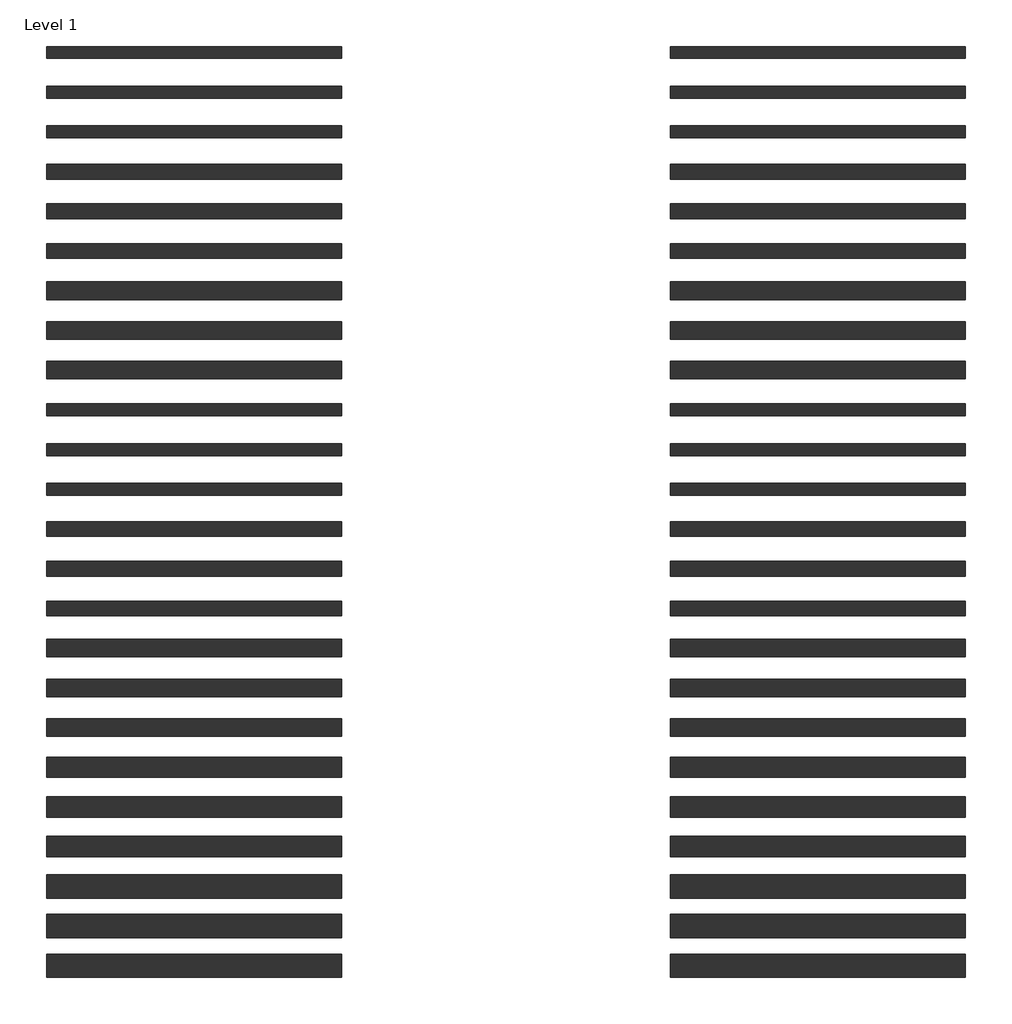
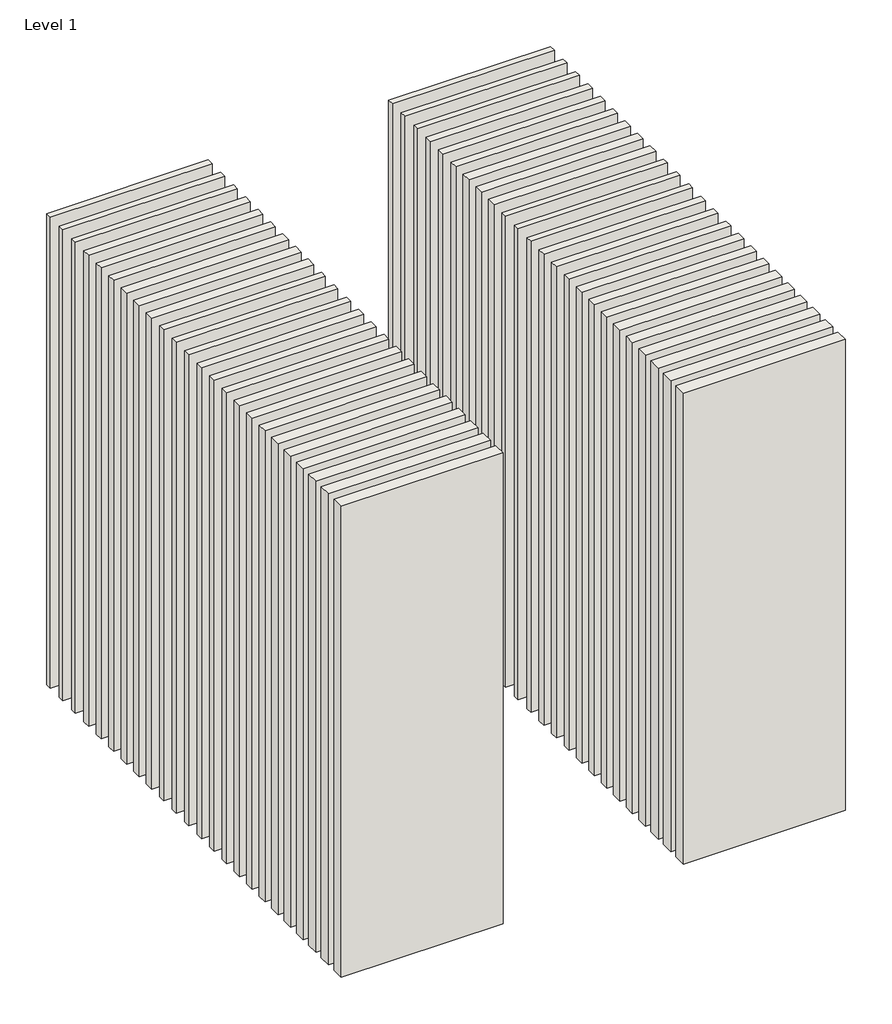
# One storey: 48 walls.
"""IFC4 building model written with IfcOpenShell, lengths in millimetres."""

from ifc_helpers import new_model, si_unit, origin, origin_with_axes, place, context, project, spatial, polyline, outline, extrude, element, save

model = new_model("IFC4")

# Units and contexts
model_context = context("Model", 3, world=origin())
ifc_project = project(units=[si_unit("LENGTHUNIT", "METRE", prefix="MILLI")], contexts=[model_context])

# Site, building, storey
site = spatial("IfcSite", under=ifc_project)
building = spatial("IfcBuilding", under=site)
storey = spatial("IfcBuildingStorey", under=building, Name="Level 1", Elevation=0.0)

# Walls
placement = place(None, origin())
element("IfcWall", 1, at=placement, inside=storey, context=model_context, shape_type="SweptSolid", body=[
    extrude(outline(polyline([(-16904.1464237, 3685.0198817), (-19504.1464237, 3685.0198817), (-19504.1464237, 3790.0198817), (-16904.1464237, 3790.0198817), (-16904.1464237, 3685.0198817)])), origin_with_axes(), (0.0, 0.0, 1.0), 8000.0),
])
element("IfcWall", 2, at=placement, inside=storey, context=model_context, shape_type="SweptSolid", body=[
    extrude(outline(polyline([(-16904.1464237, 3335.0198817), (-19504.1464237, 3335.0198817), (-19504.1464237, 3440.0198817), (-16904.1464237, 3440.0198817), (-16904.1464237, 3335.0198817)])), origin_with_axes(), (0.0, 0.0, 1.0), 8000.0),
])
element("IfcWall", 3, at=placement, inside=storey, context=model_context, shape_type="SweptSolid", body=[
    extrude(outline(polyline([(-16904.1464237, 2985.0198817), (-19504.1464237, 2985.0198817), (-19504.1464237, 3090.0198817), (-16904.1464237, 3090.0198817), (-16904.1464237, 2985.0198817)])), origin_with_axes(), (0.0, 0.0, 1.0), 8000.0),
])
element("IfcWall", 4, at=placement, inside=storey, context=model_context, shape_type="SweptSolid", body=[
    extrude(outline(polyline([(-16904.1464237, 2622.5198817), (-19504.1464237, 2622.5198817), (-19504.1464237, 2752.5198817), (-16904.1464237, 2752.5198817), (-16904.1464237, 2622.5198817)])), origin_with_axes(), (0.0, 0.0, 1.0), 8000.0),
])
element("IfcWall", 5, at=placement, inside=storey, context=model_context, shape_type="SweptSolid", body=[
    extrude(outline(polyline([(-16904.1464237, 2272.5198817), (-19504.1464237, 2272.5198817), (-19504.1464237, 2402.5198817), (-16904.1464237, 2402.5198817), (-16904.1464237, 2272.5198817)])), origin_with_axes(), (0.0, 0.0, 1.0), 8000.0),
])
element("IfcWall", 6, at=placement, inside=storey, context=model_context, shape_type="SweptSolid", body=[
    extrude(outline(polyline([(-16904.1464237, 1922.5198817), (-19504.1464237, 1922.5198817), (-19504.1464237, 2052.5198817), (-16904.1464237, 2052.5198817), (-16904.1464237, 1922.5198817)])), origin_with_axes(), (0.0, 0.0, 1.0), 8000.0),
])
element("IfcWall", 7, at=placement, inside=storey, context=model_context, shape_type="SweptSolid", body=[
    extrude(outline(polyline([(-16904.1464237, 1560.0198817), (-19504.1464237, 1560.0198817), (-19504.1464237, 1715.0198817), (-16904.1464237, 1715.0198817), (-16904.1464237, 1560.0198817)])), origin_with_axes(), (0.0, 0.0, 1.0), 8000.0),
])
element("IfcWall", 8, at=placement, inside=storey, context=model_context, shape_type="SweptSolid", body=[
    extrude(outline(polyline([(-16904.1464237, 1210.0198817), (-19504.1464237, 1210.0198817), (-19504.1464237, 1365.0198817), (-16904.1464237, 1365.0198817), (-16904.1464237, 1210.0198817)])), origin_with_axes(), (0.0, 0.0, 1.0), 8000.0),
])
element("IfcWall", 9, at=placement, inside=storey, context=model_context, shape_type="SweptSolid", body=[
    extrude(outline(polyline([(-16904.1464237, 860.0198817), (-19504.1464237, 860.0198817), (-19504.1464237, 1015.0198817), (-16904.1464237, 1015.0198817), (-16904.1464237, 860.0198817)])), origin_with_axes(), (0.0, 0.0, 1.0), 8000.0),
])
element("IfcWall", 10, at=placement, inside=storey, context=model_context, shape_type="SweptSolid", body=[
    extrude(outline(polyline([(-16904.1464237, 535.0198817), (-19504.1464237, 535.0198817), (-19504.1464237, 640.0198817), (-16904.1464237, 640.0198817), (-16904.1464237, 535.0198817)])), origin_with_axes(), (0.0, 0.0, 1.0), 8000.0),
])
element("IfcWall", 11, at=placement, inside=storey, context=model_context, shape_type="SweptSolid", body=[
    extrude(outline(polyline([(-16904.1464237, 185.0198817), (-19504.1464237, 185.0198817), (-19504.1464237, 290.0198817), (-16904.1464237, 290.0198817), (-16904.1464237, 185.0198817)])), origin_with_axes(), (0.0, 0.0, 1.0), 8000.0),
])
element("IfcWall", 12, at=placement, inside=storey, context=model_context, shape_type="SweptSolid", body=[
    extrude(outline(polyline([(-16904.1464237, -164.9801183), (-19504.1464237, -164.9801183), (-19504.1464237, -59.9801183), (-16904.1464237, -59.9801183), (-16904.1464237, -164.9801183)])), origin_with_axes(), (0.0, 0.0, 1.0), 8000.0),
])
element("IfcWall", 13, at=placement, inside=storey, context=model_context, shape_type="SweptSolid", body=[
    extrude(outline(polyline([(-16904.1464237, -527.4801183), (-19504.1464237, -527.4801183), (-19504.1464237, -397.4801183), (-16904.1464237, -397.4801183), (-16904.1464237, -527.4801183)])), origin_with_axes(), (0.0, 0.0, 1.0), 8000.0),
])
element("IfcWall", 14, at=placement, inside=storey, context=model_context, shape_type="SweptSolid", body=[
    extrude(outline(polyline([(-16904.1464237, -877.4801183), (-19504.1464237, -877.4801183), (-19504.1464237, -747.4801183), (-16904.1464237, -747.4801183), (-16904.1464237, -877.4801183)])), origin_with_axes(), (0.0, 0.0, 1.0), 8000.0),
])
element("IfcWall", 15, at=placement, inside=storey, context=model_context, shape_type="SweptSolid", body=[
    extrude(outline(polyline([(-16904.1464237, -1227.4801183), (-19504.1464237, -1227.4801183), (-19504.1464237, -1097.4801183), (-16904.1464237, -1097.4801183), (-16904.1464237, -1227.4801183)])), origin_with_axes(), (0.0, 0.0, 1.0), 8000.0),
])
element("IfcWall", 16, at=placement, inside=storey, context=model_context, shape_type="SweptSolid", body=[
    extrude(outline(polyline([(-16904.1464237, -1589.9801183), (-19504.1464237, -1589.9801183), (-19504.1464237, -1434.9801183), (-16904.1464237, -1434.9801183), (-16904.1464237, -1589.9801183)])), origin_with_axes(), (0.0, 0.0, 1.0), 8000.0),
])
element("IfcWall", 17, at=placement, inside=storey, context=model_context, shape_type="SweptSolid", body=[
    extrude(outline(polyline([(-16904.1464237, -1939.9801183), (-19504.1464237, -1939.9801183), (-19504.1464237, -1784.9801183), (-16904.1464237, -1784.9801183), (-16904.1464237, -1939.9801183)])), origin_with_axes(), (0.0, 0.0, 1.0), 8000.0),
])
element("IfcWall", 18, at=placement, inside=storey, context=model_context, shape_type="SweptSolid", body=[
    extrude(outline(polyline([(-16904.1464237, -2289.9801183), (-19504.1464237, -2289.9801183), (-19504.1464237, -2134.9801183), (-16904.1464237, -2134.9801183), (-16904.1464237, -2289.9801183)])), origin_with_axes(), (0.0, 0.0, 1.0), 8000.0),
])
element("IfcWall", 19, at=placement, inside=storey, context=model_context, shape_type="SweptSolid", body=[
    extrude(outline(polyline([(-16904.1464237, -2652.4801183), (-19504.1464237, -2652.4801183), (-19504.1464237, -2472.4801183), (-16904.1464237, -2472.4801183), (-16904.1464237, -2652.4801183)])), origin_with_axes(), (0.0, 0.0, 1.0), 8000.0),
])
element("IfcWall", 20, at=placement, inside=storey, context=model_context, shape_type="SweptSolid", body=[
    extrude(outline(polyline([(-16904.1464237, -3002.4801183), (-19504.1464237, -3002.4801183), (-19504.1464237, -2822.4801183), (-16904.1464237, -2822.4801183), (-16904.1464237, -3002.4801183)])), origin_with_axes(), (0.0, 0.0, 1.0), 8000.0),
])
element("IfcWall", 21, at=placement, inside=storey, context=model_context, shape_type="SweptSolid", body=[
    extrude(outline(polyline([(-16904.1464237, -3352.4801183), (-19504.1464237, -3352.4801183), (-19504.1464237, -3172.4801183), (-16904.1464237, -3172.4801183), (-16904.1464237, -3352.4801183)])), origin_with_axes(), (0.0, 0.0, 1.0), 8000.0),
])
element("IfcWall", 22, at=placement, inside=storey, context=model_context, shape_type="SweptSolid", body=[
    extrude(outline(polyline([(-16904.1464237, -3714.9801183), (-19504.1464237, -3714.9801183), (-19504.1464237, -3509.9801183), (-16904.1464237, -3509.9801183), (-16904.1464237, -3714.9801183)])), origin_with_axes(), (0.0, 0.0, 1.0), 8000.0),
])
element("IfcWall", 23, at=placement, inside=storey, context=model_context, shape_type="SweptSolid", body=[
    extrude(outline(polyline([(-16904.1464237, -4064.9801183), (-19504.1464237, -4064.9801183), (-19504.1464237, -3859.9801183), (-16904.1464237, -3859.9801183), (-16904.1464237, -4064.9801183)])), origin_with_axes(), (0.0, 0.0, 1.0), 8000.0),
])
element("IfcWall", 24, at=placement, inside=storey, context=model_context, shape_type="SweptSolid", body=[
    extrude(outline(polyline([(-16904.1464237, -4414.9801183), (-19504.1464237, -4414.9801183), (-19504.1464237, -4209.9801183), (-16904.1464237, -4209.9801183), (-16904.1464237, -4414.9801183)])), origin_with_axes(), (0.0, 0.0, 1.0), 8000.0),
])
element("IfcWall", 25, at=placement, inside=storey, context=model_context, shape_type="SweptSolid", body=[
    extrude(outline(polyline([(-11404.1464237, 3685.0198817), (-14004.1464237, 3685.0198817), (-14004.1464237, 3790.0198817), (-11404.1464237, 3790.0198817), (-11404.1464237, 3685.0198817)])), origin_with_axes(), (0.0, 0.0, 1.0), 8000.0),
])
element("IfcWall", 26, at=placement, inside=storey, context=model_context, shape_type="SweptSolid", body=[
    extrude(outline(polyline([(-11404.1464237, 3335.0198817), (-14004.1464237, 3335.0198817), (-14004.1464237, 3440.0198817), (-11404.1464237, 3440.0198817), (-11404.1464237, 3335.0198817)])), origin_with_axes(), (0.0, 0.0, 1.0), 8000.0),
])
element("IfcWall", 27, at=placement, inside=storey, context=model_context, shape_type="SweptSolid", body=[
    extrude(outline(polyline([(-11404.1464237, 2985.0198817), (-14004.1464237, 2985.0198817), (-14004.1464237, 3090.0198817), (-11404.1464237, 3090.0198817), (-11404.1464237, 2985.0198817)])), origin_with_axes(), (0.0, 0.0, 1.0), 8000.0),
])
element("IfcWall", 28, at=placement, inside=storey, context=model_context, shape_type="SweptSolid", body=[
    extrude(outline(polyline([(-11404.1464237, 2622.5198817), (-14004.1464237, 2622.5198817), (-14004.1464237, 2752.5198817), (-11404.1464237, 2752.5198817), (-11404.1464237, 2622.5198817)])), origin_with_axes(), (0.0, 0.0, 1.0), 8000.0),
])
element("IfcWall", 29, at=placement, inside=storey, context=model_context, shape_type="SweptSolid", body=[
    extrude(outline(polyline([(-11404.1464237, 2272.5198817), (-14004.1464237, 2272.5198817), (-14004.1464237, 2402.5198817), (-11404.1464237, 2402.5198817), (-11404.1464237, 2272.5198817)])), origin_with_axes(), (0.0, 0.0, 1.0), 8000.0),
])
element("IfcWall", 30, at=placement, inside=storey, context=model_context, shape_type="SweptSolid", body=[
    extrude(outline(polyline([(-11404.1464237, 1922.5198817), (-14004.1464237, 1922.5198817), (-14004.1464237, 2052.5198817), (-11404.1464237, 2052.5198817), (-11404.1464237, 1922.5198817)])), origin_with_axes(), (0.0, 0.0, 1.0), 8000.0),
])
element("IfcWall", 31, at=placement, inside=storey, context=model_context, shape_type="SweptSolid", body=[
    extrude(outline(polyline([(-11404.1464237, 1560.0198817), (-14004.1464237, 1560.0198817), (-14004.1464237, 1715.0198817), (-11404.1464237, 1715.0198817), (-11404.1464237, 1560.0198817)])), origin_with_axes(), (0.0, 0.0, 1.0), 8000.0),
])
element("IfcWall", 32, at=placement, inside=storey, context=model_context, shape_type="SweptSolid", body=[
    extrude(outline(polyline([(-11404.1464237, 1210.0198817), (-14004.1464237, 1210.0198817), (-14004.1464237, 1365.0198817), (-11404.1464237, 1365.0198817), (-11404.1464237, 1210.0198817)])), origin_with_axes(), (0.0, 0.0, 1.0), 8000.0),
])
element("IfcWall", 33, at=placement, inside=storey, context=model_context, shape_type="SweptSolid", body=[
    extrude(outline(polyline([(-11404.1464237, 860.0198817), (-14004.1464237, 860.0198817), (-14004.1464237, 1015.0198817), (-11404.1464237, 1015.0198817), (-11404.1464237, 860.0198817)])), origin_with_axes(), (0.0, 0.0, 1.0), 8000.0),
])
element("IfcWall", 34, at=placement, inside=storey, context=model_context, shape_type="SweptSolid", body=[
    extrude(outline(polyline([(-11404.1464237, 535.0198817), (-14004.1464237, 535.0198817), (-14004.1464237, 640.0198817), (-11404.1464237, 640.0198817), (-11404.1464237, 535.0198817)])), origin_with_axes(), (0.0, 0.0, 1.0), 8000.0),
])
element("IfcWall", 35, at=placement, inside=storey, context=model_context, shape_type="SweptSolid", body=[
    extrude(outline(polyline([(-11404.1464237, 185.0198817), (-14004.1464237, 185.0198817), (-14004.1464237, 290.0198817), (-11404.1464237, 290.0198817), (-11404.1464237, 185.0198817)])), origin_with_axes(), (0.0, 0.0, 1.0), 8000.0),
])
element("IfcWall", 36, at=placement, inside=storey, context=model_context, shape_type="SweptSolid", body=[
    extrude(outline(polyline([(-11404.1464237, -164.9801183), (-14004.1464237, -164.9801183), (-14004.1464237, -59.9801183), (-11404.1464237, -59.9801183), (-11404.1464237, -164.9801183)])), origin_with_axes(), (0.0, 0.0, 1.0), 8000.0),
])
element("IfcWall", 37, at=placement, inside=storey, context=model_context, shape_type="SweptSolid", body=[
    extrude(outline(polyline([(-11404.1464237, -527.4801183), (-14004.1464237, -527.4801183), (-14004.1464237, -397.4801183), (-11404.1464237, -397.4801183), (-11404.1464237, -527.4801183)])), origin_with_axes(), (0.0, 0.0, 1.0), 8000.0),
])
element("IfcWall", 38, at=placement, inside=storey, context=model_context, shape_type="SweptSolid", body=[
    extrude(outline(polyline([(-11404.1464237, -877.4801183), (-14004.1464237, -877.4801183), (-14004.1464237, -747.4801183), (-11404.1464237, -747.4801183), (-11404.1464237, -877.4801183)])), origin_with_axes(), (0.0, 0.0, 1.0), 8000.0),
])
element("IfcWall", 39, at=placement, inside=storey, context=model_context, shape_type="SweptSolid", body=[
    extrude(outline(polyline([(-11404.1464237, -1227.4801183), (-14004.1464237, -1227.4801183), (-14004.1464237, -1097.4801183), (-11404.1464237, -1097.4801183), (-11404.1464237, -1227.4801183)])), origin_with_axes(), (0.0, 0.0, 1.0), 8000.0),
])
element("IfcWall", 40, at=placement, inside=storey, context=model_context, shape_type="SweptSolid", body=[
    extrude(outline(polyline([(-11404.1464237, -1589.9801183), (-14004.1464237, -1589.9801183), (-14004.1464237, -1434.9801183), (-11404.1464237, -1434.9801183), (-11404.1464237, -1589.9801183)])), origin_with_axes(), (0.0, 0.0, 1.0), 8000.0),
])
element("IfcWall", 41, at=placement, inside=storey, context=model_context, shape_type="SweptSolid", body=[
    extrude(outline(polyline([(-11404.1464237, -1939.9801183), (-14004.1464237, -1939.9801183), (-14004.1464237, -1784.9801183), (-11404.1464237, -1784.9801183), (-11404.1464237, -1939.9801183)])), origin_with_axes(), (0.0, 0.0, 1.0), 8000.0),
])
element("IfcWall", 42, at=placement, inside=storey, context=model_context, shape_type="SweptSolid", body=[
    extrude(outline(polyline([(-11404.1464237, -2289.9801183), (-14004.1464237, -2289.9801183), (-14004.1464237, -2134.9801183), (-11404.1464237, -2134.9801183), (-11404.1464237, -2289.9801183)])), origin_with_axes(), (0.0, 0.0, 1.0), 8000.0),
])
element("IfcWall", 43, at=placement, inside=storey, context=model_context, shape_type="SweptSolid", body=[
    extrude(outline(polyline([(-11404.1464237, -2652.4801183), (-14004.1464237, -2652.4801183), (-14004.1464237, -2472.4801183), (-11404.1464237, -2472.4801183), (-11404.1464237, -2652.4801183)])), origin_with_axes(), (0.0, 0.0, 1.0), 8000.0),
])
element("IfcWall", 44, at=placement, inside=storey, context=model_context, shape_type="SweptSolid", body=[
    extrude(outline(polyline([(-11404.1464237, -3002.4801183), (-14004.1464237, -3002.4801183), (-14004.1464237, -2822.4801183), (-11404.1464237, -2822.4801183), (-11404.1464237, -3002.4801183)])), origin_with_axes(), (0.0, 0.0, 1.0), 8000.0),
])
element("IfcWall", 45, at=placement, inside=storey, context=model_context, shape_type="SweptSolid", body=[
    extrude(outline(polyline([(-11404.1464237, -3352.4801183), (-14004.1464237, -3352.4801183), (-14004.1464237, -3172.4801183), (-11404.1464237, -3172.4801183), (-11404.1464237, -3352.4801183)])), origin_with_axes(), (0.0, 0.0, 1.0), 8000.0),
])
element("IfcWall", 46, at=placement, inside=storey, context=model_context, shape_type="SweptSolid", body=[
    extrude(outline(polyline([(-11404.1464237, -3714.9801183), (-14004.1464237, -3714.9801183), (-14004.1464237, -3509.9801183), (-11404.1464237, -3509.9801183), (-11404.1464237, -3714.9801183)])), origin_with_axes(), (0.0, 0.0, 1.0), 8000.0),
])
element("IfcWall", 47, at=placement, inside=storey, context=model_context, shape_type="SweptSolid", body=[
    extrude(outline(polyline([(-11404.1464237, -4064.9801183), (-14004.1464237, -4064.9801183), (-14004.1464237, -3859.9801183), (-11404.1464237, -3859.9801183), (-11404.1464237, -4064.9801183)])), origin_with_axes(), (0.0, 0.0, 1.0), 8000.0),
])
element("IfcWall", 48, at=placement, inside=storey, context=model_context, shape_type="SweptSolid", body=[
    extrude(outline(polyline([(-11404.1464237, -4414.9801183), (-14004.1464237, -4414.9801183), (-14004.1464237, -4209.9801183), (-11404.1464237, -4209.9801183), (-11404.1464237, -4414.9801183)])), origin_with_axes(), (0.0, 0.0, 1.0), 8000.0),
])

save(model, "model.ifc")
